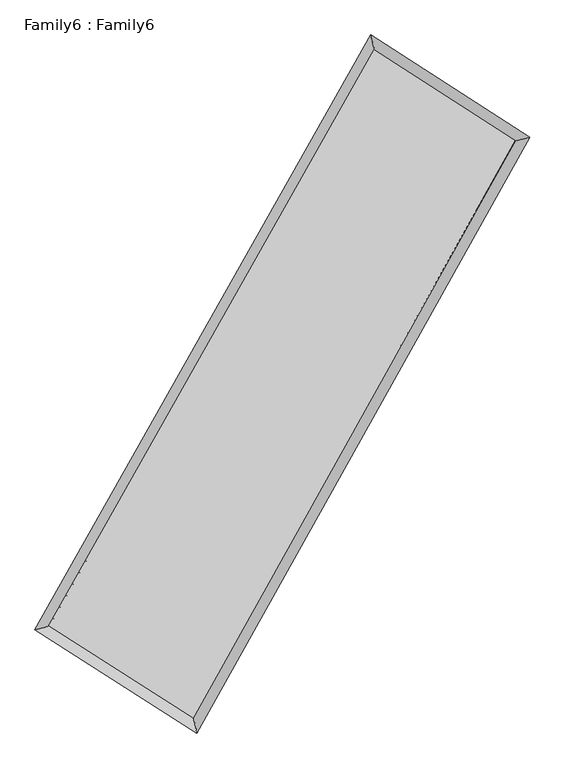
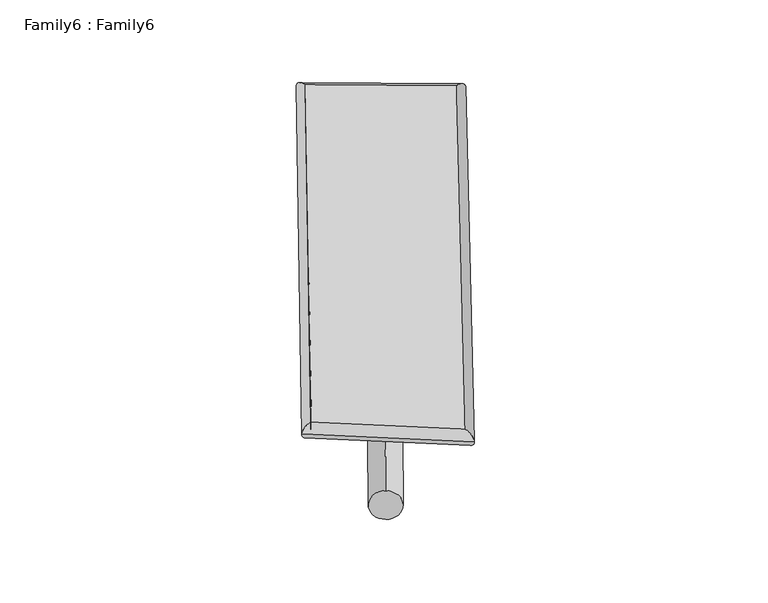
"""IFC4 building model written with IfcOpenShell, lengths in millimetres: plate geometry, Family6 : Family6."""

from ifc_helpers import new_model, si_unit, point, frame, origin, origin_2d, place, context, project, spatial, circle_curve, ellipse_curve, trimmed, segment, composite_curve, outline, extrude, source, transform, mapped, element, save
from ifc_brep_helpers import plane_surface, cylinder_surface, spline_surface, advanced_brep


def family6_family6_a2aaa3a4(model_context):
    return source(origin(), model_context, "Body", "SolidModel", [
        extrude(outline(composite_curve([segment(trimmed(circle_curve(origin_2d(), 76.2), [point((-75.4341514, -10.7763074))], [point((75.4341514, 10.7763074))], False, "CARTESIAN"), True, "CONTINUOUS"), segment(trimmed(circle_curve(origin_2d(), 76.2), [point((75.4341514, 10.7763074))], [point((-75.4341514, -10.7763074))], False, "CARTESIAN"), True, "CONTINUOUS")], self_intersect=False)), frame((9144.0, 9144.0, 0.0), z_axis=(0.6646813597730603, 0.6914926457959598, 0.28290742439946515), x_axis=(-0.6841562438820291, 0.715491543136971, -0.141428729955089)), (0.0, 0.0, 1.0), 5499.9787173),
        extrude(outline(composite_curve([segment(trimmed(circle_curve(origin_2d(), 76.2), [point((-53.8815367, 53.8815368))], [point((53.8815367, -53.8815368))], False, "CARTESIAN"), True, "CONTINUOUS"), segment(trimmed(circle_curve(origin_2d(), 76.2), [point((53.8815367, -53.8815368))], [point((-53.8815367, 53.8815368))], False, "CARTESIAN"), True, "CONTINUOUS")], self_intersect=False)), frame((9144.0, 9144.0, 0.0), z_axis=(-0.6678091054111897, -0.688687022831908, 0.2823848142390623), x_axis=(0.6483788076593104, -0.35190730649738405, 0.6751045618361997)), (0.0, 0.0, 1.0), 5509.3061575),
        extrude(outline(composite_curve([segment(trimmed(circle_curve(origin_2d(), 76.2), [point((-53.8815367, -53.8815367))], [point((53.8815367, 53.8815367))], False, "CARTESIAN"), True, "CONTINUOUS"), segment(trimmed(circle_curve(origin_2d(), 76.2), [point((53.8815367, 53.8815367))], [point((-53.8815367, -53.8815367))], False, "CARTESIAN"), True, "CONTINUOUS")], self_intersect=False)), frame((9144.0, 9144.0, 0.0), z_axis=(0.25302964898434005, 0.930621651925493, 0.2644226497528687), x_axis=(-0.8426587968594746, 0.3462726054586716, -0.4123365552363821)), (0.0, 0.0, 1.0), 5630.1548516),
        extrude(outline(composite_curve([segment(trimmed(circle_curve(origin_2d(), 76.2), [point((-75.4341514, 10.7763074))], [point((75.4341514, -10.7763074))], False, "CARTESIAN"), True, "CONTINUOUS"), segment(trimmed(circle_curve(origin_2d(), 76.2), [point((75.4341514, -10.7763074))], [point((-75.4341514, 10.7763074))], False, "CARTESIAN"), True, "CONTINUOUS")], self_intersect=False)), frame((9144.0, 9144.0, 0.0), z_axis=(-0.24912138624485047, -0.9316682566618948, 0.26444809404499353), x_axis=(0.886926346083424, -0.10980573282329176, 0.4486695417144409)), (0.0, 0.0, 1.0), 5631.36557),
        advanced_brep(
        [(5261.3223078, 5299.1747457, 1550.6669672), (5261.1915073, 5298.9960573, 1561.9861814), (5668.3480592, 5400.4499433, 1560.8218245), (10621.7769606, 14168.0917262, 1495.7915036), (10515.415251, 14598.9962909, 1481.6894251), (5668.4788598, 5400.6286317, 1549.5026103), (12596.8524165, 12896.588582, 1555.3183948), (13002.6142485, 12997.801088, 1556.6512316), (7686.8872106, 4112.7813778, 1490.5000153), (7795.3255949, 3682.0895357, 1487.9077685)],
        [
            (0, 1, ellipse_curve(frame((5464.8351835, 5349.8123445, 1555.7443959), z_axis=(-0.2417309006908841, 0.9702625076533911, 0.01252349365502708), x_axis=(-0.970022330796201, -0.2419627526799813, 0.022598762626128355)), 209.9857509, 152.4)),
            (1, 2, ellipse_curve(frame((5464.8351835, 5349.8123445, 1555.7443959), z_axis=(-0.2417309006908841, 0.9702625076533911, 0.01252349365502708), x_axis=(-0.970022330796201, -0.2419627526799813, 0.022598762626128355)), 209.9857509, 152.4)),
            (2, 3),
            (3, 4, ellipse_curve(frame((10568.5961058, 14383.5440086, 1488.7404644), z_axis=(-0.9706649321845409, -0.2400427073346452, -0.013750930246156234), x_axis=(0.23971625936996852, -0.9705969317885302, 0.021856600750368608)), 222.0428711, 152.4)),
            (4, 0),
            (2, 5, ellipse_curve(frame((5464.8351835, 5349.8123445, 1555.7443959), z_axis=(-0.2417309006908841, 0.9702625076533911, 0.01252349365502708), x_axis=(-0.970022330796201, -0.2419627526799813, 0.022598762626128355)), 209.9857509, 152.4)),
            (5, 0, ellipse_curve(frame((5464.8351835, 5349.8123445, 1555.7443959), z_axis=(-0.2417309006908841, 0.9702625076533911, 0.01252349365502708), x_axis=(-0.970022330796201, -0.2419627526799813, 0.022598762626128355)), 209.9857509, 152.4)),
            (4, 3, ellipse_curve(frame((10568.5961058, 14383.5440086, 1488.7404644), z_axis=(-0.9706649321845409, -0.2400427073346452, -0.013750930246156234), x_axis=(0.23971625936996852, -0.9705969317885302, 0.021856600750368608)), 222.0428711, 152.4)),
            (3, 6),
            (6, 7, ellipse_curve(frame((12799.7333325, 12947.194835, 1555.9848132), z_axis=(-0.2419621476917428, 0.9701990947665184, -0.012962854570945153), x_axis=(-0.9699466528187338, -0.24220915846976657, -0.02319944480158804)), 209.1352938, 152.4)),
            (7, 4),
            (7, 6, ellipse_curve(frame((12799.7333325, 12947.194835, 1555.9848132), z_axis=(-0.2419621476917428, 0.9701990947665184, -0.012962854570945153), x_axis=(-0.9699466528187338, -0.24220915846976657, -0.02319944480158804)), 209.1352938, 152.4)),
            (6, 8),
            (8, 9, ellipse_curve(frame((7741.1064027, 3897.4354567, 1489.2038919), z_axis=(0.9696315084876425, 0.24421089939146773, -0.01325799254748523), x_axis=(-0.24390198368274504, 0.9695646170979232, 0.021360609246449624)), 222.1004897, 152.4)),
            (9, 7),
            (9, 8, ellipse_curve(frame((7741.1064027, 3897.4354567, 1489.2038919), z_axis=(0.9696315084876425, 0.24421089939146773, -0.01325799254748523), x_axis=(-0.24390198368274504, 0.9695646170979232, 0.021360609246449624)), 222.1004897, 152.4)),
            (8, 5),
            (1, 9),
        ],
        [
            cylinder_surface(frame((5464.8351835, 5349.8123445, 1555.7443959), z_axis=(-0.4918818174033693, -0.8706380287975429, 0.006457593939493416), x_axis=(-0.8701044859091385, 0.4912879659458779, -0.03942484137641786)), 152.4),
            cylinder_surface(frame((10568.5961058, 14383.5440086, 1488.7404644), z_axis=(-0.8405575887961954, 0.5411295116785761, -0.025333604315849165), x_axis=(0.5416149572038496, 0.8404022131858033, -0.019425709909187155)), 152.4),
            cylinder_surface(frame((12799.7333325, 12947.194835, 1555.9848132), z_axis=(0.4879147550919106, 0.8728675176074746, 0.006441154350417493), x_axis=(0.8728896699855664, -0.4879147550919106, -0.0016780333995048667)), 152.4),
            cylinder_surface(frame((7741.1064027, 3897.4354567, 1489.2038919), z_axis=(0.842760761327173, -0.5377242577006603, -0.02463578388274576), x_axis=(-0.5374383383559839, -0.8431192511702854, 0.017605702803814065)), 152.4),
        ],
        [
            (0, [[1, 2, 3, 4, 5]]),
            (0, [[6, 7, -5, 8, -3]]),
            (1, [[-4, 9, 10, 11]]),
            (1, [[-8, -11, 12, -9]]),
            (2, [[-10, 13, 14, 15]]),
            (2, [[-12, -15, 16, -13]]),
            (3, [[-14, 17, -6, -2, 18]]),
            (3, [[-16, -18, -1, -7, -17]]),
        ],
    ),
        extrude(outline(composite_curve([segment(trimmed(circle_curve(origin_2d(), 304.8), [point((0.0, -304.8))], [point((0.0, 304.8))], False, "CARTESIAN"), True, "CONTINUOUS"), segment(trimmed(circle_curve(origin_2d(), 304.8), [point((0.0, 304.8))], [point((0.0, -304.8))], False, "CARTESIAN"), True, "CONTINUOUS")], self_intersect=False)), frame((6563.4687352, 4631.3016258, -0.0279168), z_axis=(0.49640668093547907, 0.8680900915767797, 5.370250989257932e-06), x_axis=(-0.8680900915922178, 0.49640668093547907, 1.427034210709765e-06)), (0.0, 0.0, 1.0), 10396.8434106),
        advanced_brep(
        [(5464.8351835, 5349.8123445, 1555.7443959), (7741.1064027, 3897.4354567, 1489.2038919), (7741.119446, 3897.4305976, 1641.6038912), (5464.8482268, 5349.8074854, 1708.1443952), (12799.7333325, 12947.194835, 1555.9848132), (12799.7463758, 12947.1899759, 1708.3848125), (10568.5961058, 14383.5440086, 1488.7404644), (10568.6091491, 14383.5391494, 1641.1404637)],
        [
            (0, 1),
            (1, 2),
            (2, 3),
            (3, 0),
            (1, 4),
            (4, 5),
            (5, 2),
            (4, 6),
            (6, 7),
            (7, 5),
            (6, 0),
            (3, 7),
        ],
        [
            plane_surface(frame((6602.9707931, 4623.6239006, 1522.4741439), z_axis=(-0.5378871122441857, -0.8430168765301409, 1.9156618580066717e-05), x_axis=(0.8427607613271728, -0.5377242577006609, -0.024635783882745742))),
            plane_surface(frame((10270.4198676, 8422.3151459, 1522.5943525), z_axis=(0.8728859052703428, -0.4879243673284029, -9.026379250081642e-05), x_axis=(0.48791475509191096, 0.8728675176074745, 0.0064411543504175155))),
            plane_surface(frame((11684.1647192, 13665.3694218, 1522.3626388), z_axis=(0.5413036572742324, 0.840827182148957, -1.95188432723023e-05), x_axis=(-0.8405575887961951, 0.5411295116785764, -0.025333604315849165))),
            plane_surface(frame((8016.7156447, 9866.6781765, 1522.2424301), z_axis=(-0.8706558923333214, 0.4918925787296711, 9.019945814951616e-05), x_axis=(-0.4918818174033696, -0.8706380287975427, 0.006457593939493418))),
            spline_surface(1, 1, [[(7741.119446, 3897.4305976, 1641.6038912), (5464.8482268, 5349.8074854, 1708.1443952)], [(12799.7463758, 12947.1899759, 1708.3848125), (10568.6091491, 14383.5391494, 1641.1404637)]], [2, 2], [2, 2], [0.0, 1.0], [0.0, 1.0]),
            spline_surface(1, 1, [[(10568.5961058, 14383.5440086, 1488.7404644), (5464.8351835, 5349.8123445, 1555.7443959)], [(12799.7333325, 12947.194835, 1555.9848132), (7741.1064027, 3897.4354567, 1489.2038919)]], [2, 2], [2, 2], [0.0, 1.0], [0.0, 1.0]),
        ],
        [
            (0, [[1, 2, 3, 4]]),
            (1, [[5, 6, 7, -2]]),
            (2, [[8, 9, 10, -6]]),
            (3, [[11, -4, 12, -9]]),
            (4, [[-3, -7, -10, -12]]),
            (5, [[-11, -8, -5, -1]]),
        ],
    ),
    ])


if __name__ == "__main__":
    model = new_model("IFC4")
    model_context = context("Model", 3, world=origin())
    ifc_project = project(units=[si_unit("LENGTHUNIT", "METRE", prefix="MILLI")], contexts=[model_context])
    site = spatial("IfcSite", under=ifc_project)
    building = spatial("IfcBuilding", under=site)
    placement = place(None, origin())
    family6_family6_shape = family6_family6_a2aaa3a4(model_context)
    element("IfcPlate", 1, ObjectType="Family6 : Family6", at=placement, inside=building, context=model_context, shape_type="MappedRepresentation", body=[
        mapped(family6_family6_shape, transform((0.0, 0.0, 0.0), x_axis=(1.0, 0.0, 0.0), y_axis=(0.0, 1.0, 0.0), z_axis=(0.0, 0.0, 1.0))),
    ])
    save(model, "model.ifc")
